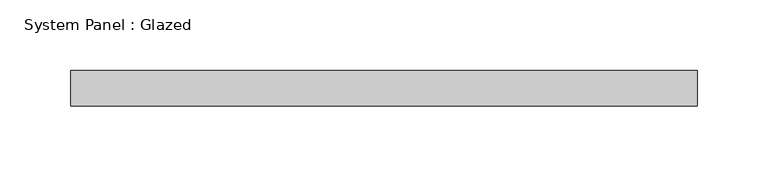
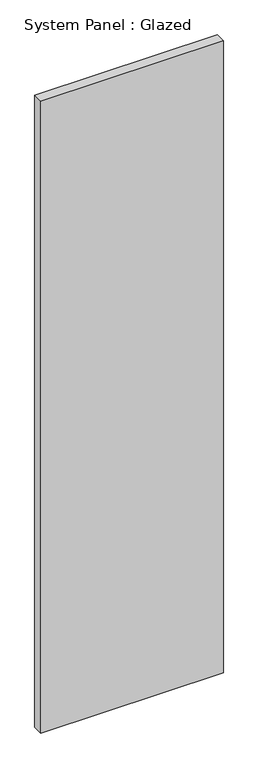
"""IFC4 building model written with IfcOpenShell, lengths in millimetres: plate geometry, System Panel : Glazed."""

import ifcopenshell
import ifcopenshell.guid

model = None  # the IFC model being written
_history = None  # IfcOwnerHistory: only IFC2X3 demands one
_inside = {}  # id of a spatial element -> (the spatial element, [elements in it])
_under = {}  # id of a project, library or spatial element -> (it, [spatial elements below it])
_declared = {}  # id of a project -> (the project, [libraries it declares])
_typed = {}  # id of a type object -> (the type object, [elements of that type])
_made_of = {}  # id of a material, layer set ... -> (it, [elements and type objects made of it])


def new_model(schema):
    """Start an empty IFC model of exactly this schema.

    Asked for "IFC4X3", IfcOpenShell would pick the latest addendum, in which some entities
    have other attributes; the version numbers below select the first issue.
    IFC2X3 requires an IfcOwnerHistory on every rooted entity: one is made here for all.
    """
    global model, _history
    if schema == "IFC4X3":
        model = ifcopenshell.file(schema_version=(4, 3, 0, 0))
    else:
        model = ifcopenshell.file(schema=schema)
    _inside.clear()
    _under.clear()
    _declared.clear()
    _typed.clear()
    _made_of.clear()
    _history = None
    if model.schema == "IFC2X3":
        org = make("IfcOrganization", Name="unknown")
        user = make(
            "IfcPersonAndOrganization",
            ThePerson=make("IfcPerson", FamilyName="unknown"),
            TheOrganization=org,
        )
        app = make(
            "IfcApplication",
            ApplicationDeveloper=org,
            Version="unknown",
            ApplicationFullName="unknown",
            ApplicationIdentifier="unknown",
        )
        _history = make(
            "IfcOwnerHistory",
            OwningUser=user,
            OwningApplication=app,
            ChangeAction="ADDED",
            CreationDate=0,
        )
    return model


def make(cls, **values):
    """One entity of the class cls with the attributes given. An attribute that is None is left unset."""
    return model.create_entity(
        cls, **{name: value for name, value in values.items() if value is not None}
    )


def rooted(cls, **values):
    """An entity with a GlobalId (a new one), such as an element, a storey or a relation."""
    return make(cls, GlobalId=ifcopenshell.guid.new(), OwnerHistory=_history, **values)


def si_unit(unit_type, name, prefix=None):
    """IfcSIUnit, for example si_unit("LENGTHUNIT", "METRE", prefix="MILLI")."""
    return make("IfcSIUnit", UnitType=unit_type, Prefix=prefix, Name=name)


def assignment(units):
    """IfcUnitAssignment: the units of a project."""
    return None if units is None else make("IfcUnitAssignment", Units=units)


def point(xyz):
    """IfcCartesianPoint."""
    return None if xyz is None else make("IfcCartesianPoint", Coordinates=xyz)


def direction(xyz):
    """IfcDirection."""
    return None if xyz is None else make("IfcDirection", DirectionRatios=xyz)


def frame(location, z_axis=None, x_axis=None):
    """IfcAxis2Placement3D, a coordinate frame: its origin and axes. An axis left out is left unset."""
    return make(
        "IfcAxis2Placement3D",
        Location=point(location),
        Axis=direction(z_axis),
        RefDirection=direction(x_axis),
    )


def origin():
    """The frame at (0, 0, 0) with its axes left unset."""
    return frame((0.0, 0.0, 0.0))


def origin_with_axes():
    """The frame at (0, 0, 0) with the z axis (0, 0, 1) and the x axis (1, 0, 0) written out."""
    return frame((0.0, 0.0, 0.0), z_axis=(0.0, 0.0, 1.0), x_axis=(1.0, 0.0, 0.0))


def place(relative_to, where):
    """IfcLocalPlacement: puts the frame where relative to a parent placement (None: the world)."""
    return make(
        "IfcLocalPlacement", PlacementRelTo=relative_to, RelativePlacement=where
    )


def context(
    kind, dimensions, precision=None, world=None, true_north=None, identifier=None
):
    """IfcGeometricRepresentationContext, for example the 3D "Model" context."""
    return make(
        "IfcGeometricRepresentationContext",
        ContextIdentifier=identifier,
        ContextType=kind,
        CoordinateSpaceDimension=dimensions,
        Precision=precision,
        WorldCoordinateSystem=world,
        TrueNorth=true_north,
    )


def project(units=None, contexts=None):
    """IfcProject with its units and contexts."""
    return rooted(
        "IfcProject",
        Name="project",
        RepresentationContexts=contexts,
        UnitsInContext=assignment(units),
    )


def spatial(cls, under=None, at=None, **own):
    """A site, building, storey or space (cls), placed at a placement, below another one or the project."""
    s = rooted(cls, ObjectPlacement=at, **own)
    if under is not None:
        _under.setdefault(under.id(), (under, []))[1].append(s)
    return s


def polyline(points):
    """IfcPolyline through the points."""
    return make("IfcPolyline", Points=[point(p) for p in points])


def outline(outer, holes=None, kind="AREA"):
    """IfcArbitraryClosedProfileDef: a profile drawn as a closed curve; with holes, ...WithVoids."""
    if holes is None:
        return make("IfcArbitraryClosedProfileDef", ProfileType=kind, OuterCurve=outer)
    return make(
        "IfcArbitraryProfileDefWithVoids",
        ProfileType=kind,
        OuterCurve=outer,
        InnerCurves=holes,
    )


def extrude(swept, where, along, depth):
    """IfcExtrudedAreaSolid: the profile swept, set in the frame where, extruded along a direction by depth."""
    return make(
        "IfcExtrudedAreaSolid",
        SweptArea=swept,
        Position=where,
        ExtrudedDirection=direction(along),
        Depth=depth,
    )


def shape(context_of_items, identifier, shape_type, items):
    """IfcShapeRepresentation: the items that make up one representation, for example the "Body"."""
    return make(
        "IfcShapeRepresentation",
        ContextOfItems=context_of_items,
        RepresentationIdentifier=identifier,
        RepresentationType=shape_type,
        Items=items,
    )


def source(mapping_origin, context_of_items, identifier, shape_type, items):
    """IfcRepresentationMap: a shape defined once, which mapped items show again and again."""
    return make(
        "IfcRepresentationMap",
        MappingOrigin=mapping_origin,
        MappedRepresentation=shape(context_of_items, identifier, shape_type, items),
    )


def transform(
    local_origin,
    x_axis=None,
    y_axis=None,
    z_axis=None,
    scale=None,
    scale2=None,
    scale3=None,
    uniform=True,
):
    """IfcCartesianTransformationOperator3D, or its non-uniform kind. x_axis, y_axis, z_axis: its Axis1, 2, 3."""
    if uniform:
        return make(
            "IfcCartesianTransformationOperator3D",
            Axis1=direction(x_axis),
            Axis2=direction(y_axis),
            LocalOrigin=point(local_origin),
            Scale=scale,
            Axis3=direction(z_axis),
        )
    return make(
        "IfcCartesianTransformationOperator3DnonUniform",
        Axis1=direction(x_axis),
        Axis2=direction(y_axis),
        LocalOrigin=point(local_origin),
        Scale=scale,
        Axis3=direction(z_axis),
        Scale2=scale2,
        Scale3=scale3,
    )


def mapped(mapping_source, mapping_target):
    """IfcMappedItem: shows the shape of a source again, moved by a transform."""
    return make(
        "IfcMappedItem", MappingSource=mapping_source, MappingTarget=mapping_target
    )


def made_of(thing, what):
    """Note that an element or type object is made of a material, layer set ...; save() writes the relation."""
    if what is not None:
        _made_of.setdefault(what.id(), (what, []))[1].append(thing)
    return thing


def element(
    cls,
    number,
    at=None,
    inside=None,
    cuts=None,
    type_object=None,
    material=None,
    context=None,
    identifier="Body",
    shape_type=None,
    held_by="IfcProductDefinitionShape",
    body=None,
    shapes=None,
    **own,
):
    """One element of the class cls, such as IfcWall. Its Tag is "e" and its number.

    at: its placement. inside: the storey or other place that contains it. cuts: it is an
    opening in that element (IfcRelVoidsElement). A single representation is given by context,
    identifier, shape_type and body (its items); several are given by shapes. held_by: the class
    of the entity that holds the representations. save() writes the other relations.
    """
    e = rooted(cls, Tag="e%d" % number, ObjectPlacement=at, **own)
    if body is not None:
        shapes = [shape(context, identifier, shape_type, body)]
    if shapes is not None:
        e.Representation = make(held_by, Representations=shapes)
    if inside is not None:
        _inside.setdefault(inside.id(), (inside, []))[1].append(e)
    if cuts is not None:
        rooted(
            "IfcRelVoidsElement", RelatingBuildingElement=cuts, RelatedOpeningElement=e
        )
    if type_object is not None:
        _typed.setdefault(type_object.id(), (type_object, []))[1].append(e)
    return made_of(e, material)


def aggregate(whole, parts):
    """IfcRelAggregates: a whole, such as a stair, and the parts it consists of."""
    return rooted("IfcRelAggregates", RelatingObject=whole, RelatedObjects=parts)


def save(model, path):
    """Write the relations noted so far, then the file.

    IfcRelAggregates (storeys below a building ...), IfcRelContainedInSpatialStructure (elements
    in a storey), IfcRelDefinesByType, IfcRelAssociatesMaterial and IfcRelDeclares: one each for
    every whole, place, type object, material and project.
    """
    for whole, parts in _under.values():
        aggregate(whole, parts)
    for where, things in _inside.values():
        rooted(
            "IfcRelContainedInSpatialStructure",
            RelatedElements=things,
            RelatingStructure=where,
        )
    for kind, things in _typed.values():
        rooted("IfcRelDefinesByType", RelatedObjects=things, RelatingType=kind)
    for what, things in _made_of.values():
        rooted("IfcRelAssociatesMaterial", RelatedObjects=things, RelatingMaterial=what)
    for by, libraries in _declared.values():
        rooted("IfcRelDeclares", RelatingContext=by, RelatedDefinitions=libraries)
    model.write(path)


def system_panel_glazed_eeb5585e(model_context):
    return source(origin(), model_context, "Body", "SweptSolid", [
        extrude(outline(polyline([(222.25, -12.7), (-222.25, -12.7), (-222.25, 12.7), (222.25, 12.7), (222.25, -12.7)])), origin_with_axes(), (0.0, 0.0, 1.0), 1625.6),
    ])


if __name__ == "__main__":
    model = new_model("IFC4")
    model_context = context("Model", 3, world=origin())
    ifc_project = project(units=[si_unit("LENGTHUNIT", "METRE", prefix="MILLI")], contexts=[model_context])
    site = spatial("IfcSite", under=ifc_project)
    building = spatial("IfcBuilding", under=site)
    placement = place(None, origin())
    system_panel_glazed_shape = system_panel_glazed_eeb5585e(model_context)
    element("IfcPlate", 1, ObjectType="System Panel : Glazed", at=placement, inside=building, context=model_context, shape_type="MappedRepresentation", body=[
        mapped(system_panel_glazed_shape, transform((0.0, 0.0, 0.0), x_axis=(1.0, 0.0, 0.0), y_axis=(0.0, 1.0, 0.0), z_axis=(0.0, 0.0, 1.0))),
    ])
    save(model, "model.ifc")
